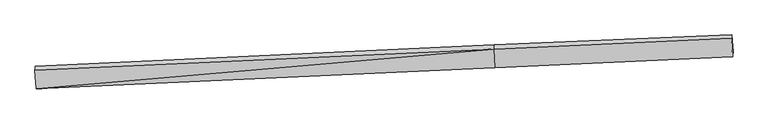
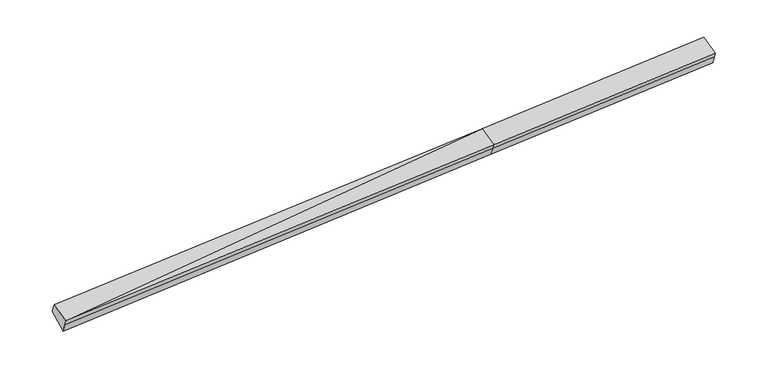
"""IFC4 building model written with IfcOpenShell, lengths in millimetres: proxy geometry."""

from ifc_helpers import new_model, si_unit, frame, origin, place, context, project, spatial, source, transform, mapped, element, save
from ifc_brep_helpers import plane_surface, spline_surface, advanced_brep


def generic_models_22faf15e(model_context):
    return source(origin(), model_context, "Body", "AdvancedBrep", [
        advanced_brep(
        [(-13668.0378837, -2558.1351819, 1418.3560296), (-13662.2769316, -2494.1054524, 1233.8652687), (2623.3600326, -1760.2247055, 1996.8022254), (2617.9003396, -1820.9061106, 2171.64536), (-13708.3253533, -1901.098202, 1660.0967773), (2577.0382484, -1154.4977894, 2416.8340644), (-13698.5660738, -1761.1134488, 1317.6543122), (2585.3458507, -1007.0107046, 2098.4497294), (-13651.9047542, -2363.066621, 886.7490731), (2632.0071703, -1608.9638768, 1667.5444903), (11022.0175573, -650.2211576, 2506.9028105), (11013.5852035, -775.45788, 2806.8513365), (11053.8726732, -1432.4948599, 2565.1105888), (11059.3387528, -1371.7424706, 2390.0629254), (11068.6788768, -1252.1743298, 2075.9975713)],
        [
            (0, 1),
            (1, 2),
            (2, 3),
            (3, 0),
            (4, 0),
            (0, 5),
            (5, 4),
            (6, 4),
            (5, 7),
            (7, 6),
            (8, 6),
            (7, 9),
            (9, 8),
            (1, 8),
            (9, 2),
            (10, 11),
            (11, 12),
            (12, 13),
            (13, 14),
            (14, 10),
            (3, 5),
            (5, 11),
            (10, 7),
            (3, 12),
            (2, 13),
            (9, 14),
        ],
        [
            plane_surface(frame((-13665.1574077, -2526.1203172, 1326.1106492), z_axis=(0.05778497213150438, -0.9436995268338938, -0.325717822738097), x_axis=(0.029487239349179135, 0.3277340174863845, -0.9443097566465141))),
            plane_surface(frame((-13688.1816185, -2229.616692, 1539.2264035), z_axis=(-0.027674503754902144, -0.3466578478996979, 0.9375833074087175), x_axis=(0.057450487347704714, -0.936943794779571, -0.3447256400785534))),
            spline_surface(1, 1, [[(-13698.5660738, -1761.1134488, 1317.6543122), (2585.3458507, -1007.0107046, 2098.4497294)], [(-13708.3253533, -1901.098202, 1660.0967773), (2577.0382484, -1154.4977894, 2416.8340644)]], [2, 2], [2, 2], [0.0, 1.0], [0.0, 1.0]),
            plane_surface(frame((-13675.235414, -2062.0900349, 1102.2016926), z_axis=(0.011982624436390314, 0.5826496950936887, -0.8126350654007296), x_axis=(-0.06290643240651728, 0.8115228389319743, 0.5809246617709332))),
            spline_surface(1, 1, [[(-13662.2769316, -2494.1054524, 1233.8652687), (2623.3600326, -1760.2247055, 1996.8022254)], [(-13651.9047542, -2363.066621, 886.7490731), (2632.0071703, -1608.9638768, 1667.5444903)]], [2, 2], [2, 2], [0.0, 1.0], [0.0, 1.0]),
            plane_surface(frame((11043.4986127, -1096.4181396, 2468.9850465), z_axis=(0.9979461708114183, 0.044095004058101316, 0.046465802262992933), x_axis=(-0.02593349679726604, -0.3851624640546869, 0.9224843250848159))),
            plane_surface(frame((-13677.8221993, -2215.5037812, 1303.3442922), z_axis=(-0.9979461708114183, -0.0440950040581008, -0.04646580226299431), x_axis=(-0.029487239349179475, -0.32773401748638376, 0.9443097566465143))),
            plane_surface(frame((-13668.0378837, -2558.1351819, 1418.3560296), z_axis=(-0.027674503754902685, -0.3466578478996929, 0.9375833074087195), x_axis=(0.057450487347702826, -0.936943794779573, -0.34472564007854845))),
            spline_surface(1, 1, [[(2585.3458507, -1007.0107046, 2098.4497294), (11022.0175573, -650.2211576, 2506.9028105)], [(2577.0382484, -1154.4977894, 2416.8340644), (11013.5852035, -775.45788, 2806.8513365)]], [2, 2], [2, 2], [0.0, 1.0], [0.0, 1.0]),
            plane_surface(frame((2597.469294, -1487.70195, 2294.2397122), z_axis=(-0.027768854491337286, -0.3466620369348137, 0.9375789688705932), x_axis=(0.057450487347704714, -0.936943794779571, -0.3447256400785534))),
            plane_surface(frame((2620.6301861, -1790.565408, 2084.2237927), z_axis=(0.05863832647598937, -0.943660730955811, -0.32567771111950555), x_axis=(0.02948723934917832, 0.3277340174863851, -0.9443097566465138))),
            spline_surface(1, 1, [[(2623.3600326, -1760.2247055, 1996.8022254), (11059.3387528, -1371.7424706, 2390.0629254)], [(2632.0071703, -1608.9638768, 1667.5444903), (11068.6788768, -1252.1743298, 2075.9975713)]], [2, 2], [2, 2], [0.0, 1.0], [0.0, 1.0]),
            plane_surface(frame((2608.6765105, -1307.9872907, 1882.9971099), z_axis=(0.014691260185190909, 0.5827674073800819, -0.8125061942961841), x_axis=(-0.06290643240651776, 0.8115228389319712, 0.5809246617709375))),
        ],
        [
            (0, [[1, 2, 3, 4]]),
            (1, [[5, 6, 7]]),
            (2, [[8, -7, 9, 10]]),
            (3, [[11, -10, 12, 13]]),
            (4, [[14, -13, 15, -2]]),
            (5, [[16, 17, 18, 19, 20]]),
            (6, [[-1, -5, -8, -11, -14]]),
            (7, [[21, -6, -4]]),
            (8, [[-9, 22, -16, 23]]),
            (9, [[-21, 24, -17, -22]]),
            (10, [[-3, 25, -18, -24]]),
            (11, [[-15, 26, -19, -25]]),
            (12, [[-12, -23, -20, -26]]),
        ],
    ),
    ])


if __name__ == "__main__":
    model = new_model("IFC4")
    model_context = context("Model", 3, world=origin())
    ifc_project = project(units=[si_unit("LENGTHUNIT", "METRE", prefix="MILLI")], contexts=[model_context])
    site = spatial("IfcSite", under=ifc_project)
    building = spatial("IfcBuilding", under=site)
    placement = place(None, origin())
    generic_models_shape = generic_models_22faf15e(model_context)
    element("IfcBuildingElementProxy", 1, Name="Generic Models", at=placement, inside=building, context=model_context, shape_type="MappedRepresentation", body=[
        mapped(generic_models_shape, transform((0.0, 0.0, 0.0), x_axis=(1.0, 0.0, 0.0), y_axis=(0.0, 1.0, 0.0), z_axis=(0.0, 0.0, 1.0))),
    ])
    save(model, "model.ifc")
